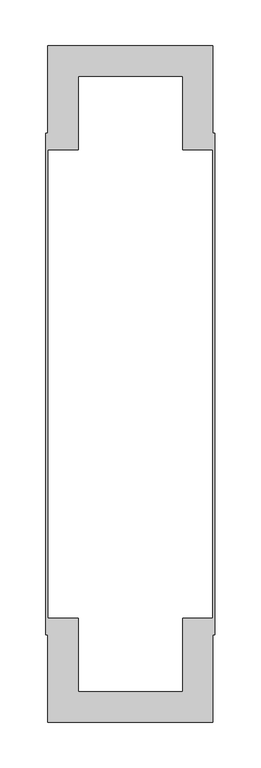
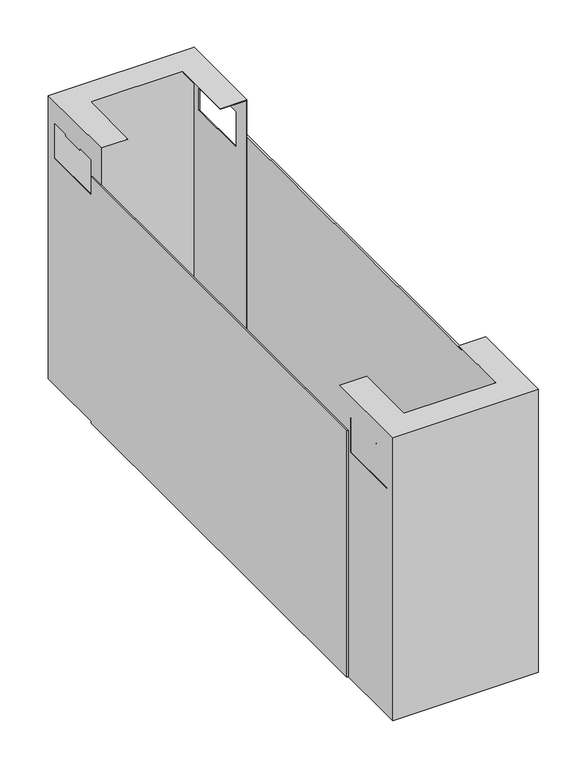
"""IFC4 building model written with IfcOpenShell, lengths in millimetres: furniture geometry."""

from ifc_helpers import new_model, si_unit, origin, place, context, project, spatial, triangles, source, transform, mapped, element, save


def furniture_9d6ae89f(model_context):
    return source(origin(), model_context, "Body", "Tessellation", [
        triangles([(12.1151363, -66.0618417, 442.1000133), (-166.0848696, -66.0618417, 442.1000133), (12.1151363, -66.0618417, 73.0), (-166.0848696, -66.0618417, 73.0), (-166.9848692, -65.1618422, 442.9999947), (-133.9848668, -98.16184, 442.9999947), (13.0151358, -65.1618422, 442.9999947), (-19.9848666, -98.16184, 442.9999947), (13.0151358, -178.1618443, 442.9999947), (-19.9848666, -178.1618443, 442.9999947), (-166.9848692, -178.1618443, 442.9999947), (-133.9848668, -178.1618443, 442.9999947), (-166.9848692, -65.1618422, 73.0), (13.0151358, -65.1618422, 73.0), (-166.0848696, -156.5618421, 368.3000121), (-166.0848696, -77.161841, 368.3000121), (-166.0848696, -77.161841, 414.7000142), (-166.0848696, -101.8618413, 414.7000142), (-166.0848696, -131.8618423, 414.7000142), (-166.0848696, -101.8618413, 412.1999851), (-166.0848696, -131.8618423, 412.1999851), (-166.0848696, -156.5618421, 414.7000142), (-166.0848696, -178.1618443, 442.1000133), (-166.0848696, -178.1618443, 73.0), (13.0151358, -156.5618421, 414.7000142), (13.0151358, -156.5618421, 368.3000121), (13.0151358, -178.1618443, 73.0), (13.0151358, -131.8618423, 414.7000142), (13.0151358, -101.8618413, 414.7000142), (13.0151358, -77.161841, 414.7000142), (13.0151358, -131.8618423, 412.1999851), (13.0151358, -101.8618413, 412.1999851), (13.0151358, -77.161841, 368.3000121), (-133.9848668, -98.16184, 442.1000133), (-19.9848666, -98.16184, 442.1000133), (12.1151363, -178.1618443, 442.1000133), (-19.9848666, -178.1618443, 442.1000133), (-133.9848668, -178.1618443, 442.1000133), (-166.9848692, -77.161841, 368.3000121), (-166.9848692, -77.161841, 414.7000142), (-166.9848692, -101.8618413, 414.7000142), (-166.9848692, -156.5618421, 368.3000121), (-166.9848692, -178.1618443, 73.0), (-166.9848692, -131.8618423, 414.7000142), (-166.9848692, -156.5618421, 414.7000142), (-166.9848692, -101.8618413, 412.1999851), (-166.9848692, -131.8618423, 412.1999851), (12.1151363, -77.161841, 368.3000121), (12.1151363, -77.161841, 414.7000142), (12.1151363, -101.8618413, 414.7000142), (12.1151363, -156.5618421, 368.3000121), (12.1151363, -178.1618443, 73.0), (12.1151363, -131.8618423, 414.7000142), (12.1151363, -156.5618421, 414.7000142), (12.1151363, -101.8618413, 412.1999851), (12.1151363, -131.8618423, 412.1999851), (15.1151348, -160.211843, 73.0), (13.0151358, -160.211843, 73.0), (15.1151348, -160.211843, 395.0000175), (13.0151358, -160.211843, 395.0000175), (15.1151348, -707.1118343, 73.0), (15.1151348, -707.1118343, 395.0000175), (13.0151358, -707.1118343, 73.0), (13.0151358, -707.1118343, 395.0000175), (-166.9848692, -160.211843, 73.0), (-169.0848682, -160.211843, 73.0), (-166.9848692, -160.211843, 395.0000175), (-169.0848682, -160.211843, 395.0000175), (-166.9848692, -707.1118343, 73.0), (-166.9848692, -707.1118343, 395.0000175), (-169.0848682, -707.1118343, 73.0), (-169.0848682, -707.1118343, 395.0000175), (-166.0848696, -801.2618651, 442.1000133), (12.1151363, -801.2618651, 442.1000133), (-166.0848696, -801.2618651, 73.0), (12.1151363, -801.2618651, 73.0), (-166.9848692, -689.1618398, 442.9999947), (-166.9848692, -802.1618102, 442.9999947), (-133.9848668, -769.1618622, 442.9999947), (13.0151358, -802.1618102, 442.9999947), (-19.9848666, -769.1618622, 442.9999947), (13.0151358, -689.1618398, 442.9999947), (-19.9848666, -689.1618398, 442.9999947), (-133.9848668, -689.1618398, 442.9999947), (13.0151358, -802.1618102, 73.0), (-166.9848692, -802.1618102, 73.0), (-166.0848696, -790.1618159, 368.3000121), (-166.0848696, -710.7618295, 368.3000121), (-166.0848696, -689.1618398, 73.0), (-166.0848696, -689.1618398, 442.1000133), (-166.0848696, -790.1618159, 414.7000142), (-166.0848696, -765.4618701, 414.7000142), (-166.0848696, -765.4618701, 412.1999851), (-166.0848696, -735.461848, 412.1999851), (-166.0848696, -735.461848, 414.7000142), (-166.0848696, -710.7618295, 414.7000142), (13.0151358, -735.461848, 414.7000142), (13.0151358, -710.7618295, 414.7000142), (13.0151358, -710.7618295, 368.3000121), (13.0151358, -689.1618398, 73.0), (13.0151358, -790.1618159, 368.3000121), (13.0151358, -790.1618159, 414.7000142), (13.0151358, -765.4618701, 414.7000142), (13.0151358, -765.4618701, 412.1999851), (13.0151358, -735.461848, 412.1999851), (-133.9848668, -769.1618622, 442.1000133), (-19.9848666, -769.1618622, 442.1000133), (12.1151363, -689.1618398, 442.1000133), (-19.9848666, -689.1618398, 442.1000133), (-133.9848668, -689.1618398, 442.1000133), (-166.9848692, -790.1618159, 368.3000121), (-166.9848692, -710.7618295, 368.3000121), (-166.9848692, -689.1618398, 73.0), (-166.9848692, -710.7618295, 414.7000142), (-166.9848692, -735.461848, 414.7000142), (-166.9848692, -765.4618701, 414.7000142), (-166.9848692, -790.1618159, 414.7000142), (-166.9848692, -735.461848, 412.1999851), (-166.9848692, -765.4618701, 412.1999851), (12.1151363, -790.1618159, 368.3000121), (12.1151363, -710.7618295, 368.3000121), (12.1151363, -689.1618398, 73.0), (12.1151363, -710.7618295, 414.7000142), (12.1151363, -735.461848, 414.7000142), (12.1151363, -765.4618701, 414.7000142), (12.1151363, -790.1618159, 414.7000142), (12.1151363, -735.461848, 412.1999851), (12.1151363, -765.4618701, 412.1999851)], [[1, 2, 3], [3, 2, 4], [5, 6, 7], [7, 6, 8], [7, 8, 9], [9, 8, 10], [5, 11, 6], [6, 11, 12], [5, 7, 13], [13, 7, 14], [15, 4, 16], [2, 16, 4], [16, 2, 17], [18, 17, 2], [19, 18, 2], [18, 19, 20], [20, 19, 21], [15, 22, 23], [24, 15, 23], [15, 24, 4], [23, 22, 19], [23, 19, 2], [26, 25, 9], [27, 26, 9], [26, 27, 14], [9, 25, 28], [9, 28, 7], [7, 28, 29], [7, 29, 30], [31, 32, 28], [28, 32, 29], [7, 30, 33], [7, 33, 14], [14, 33, 26], [23, 2, 34], [1, 34, 2], [34, 1, 35], [36, 35, 1], [35, 36, 37], [34, 38, 23], [34, 35, 6], [6, 35, 8], [6, 12, 34], [34, 12, 38], [13, 39, 5], [5, 39, 40], [5, 40, 41], [42, 39, 13], [42, 13, 43], [11, 42, 43], [5, 44, 11], [11, 44, 45], [11, 45, 42], [46, 47, 41], [41, 47, 44], [5, 41, 44], [35, 37, 8], [8, 37, 10], [3, 48, 1], [1, 48, 49], [1, 49, 50], [51, 48, 3], [51, 3, 52], [36, 51, 52], [1, 53, 36], [36, 53, 54], [36, 54, 51], [55, 56, 50], [50, 56, 53], [1, 50, 53], [25, 26, 54], [54, 26, 51], [26, 33, 51], [51, 33, 48], [33, 30, 48], [48, 30, 49], [55, 50, 32], [32, 50, 29], [32, 31, 55], [55, 31, 56], [30, 29, 49], [49, 29, 50], [28, 25, 53], [53, 25, 54], [31, 28, 56], [56, 28, 53], [39, 42, 16], [16, 42, 15], [42, 45, 15], [15, 45, 22], [40, 39, 17], [17, 39, 16], [20, 21, 46], [46, 21, 47], [46, 41, 20], [20, 41, 18], [41, 40, 18], [18, 40, 17], [21, 19, 47], [47, 19, 44], [45, 44, 22], [22, 44, 19], [38, 12, 23], [11, 23, 12], [43, 23, 11], [43, 24, 23], [24, 43, 4], [13, 4, 43], [14, 4, 13], [4, 14, 3], [27, 3, 14], [3, 27, 52], [52, 27, 36], [9, 36, 27], [10, 36, 9], [10, 37, 36], [57, 58, 59], [59, 58, 60], [61, 57, 62], [62, 57, 59], [63, 61, 64], [64, 61, 62], [58, 63, 60], [60, 63, 64], [64, 62, 60], [60, 62, 59], [58, 57, 63], [63, 57, 61], [65, 66, 67], [67, 66, 68], [69, 65, 70], [70, 65, 67], [71, 69, 72], [72, 69, 70], [66, 71, 68], [68, 71, 72], [72, 70, 68], [68, 70, 67], [66, 65, 71], [71, 65, 69], [73, 74, 75], [75, 74, 76], [77, 78, 79], [80, 79, 78], [79, 80, 81], [82, 81, 80], [81, 82, 83], [79, 84, 77], [80, 78, 85], [85, 78, 86], [88, 87, 75], [88, 75, 89], [90, 88, 89], [75, 87, 73], [73, 87, 91], [73, 91, 92], [93, 94, 92], [92, 94, 95], [73, 92, 95], [73, 95, 90], [90, 95, 96], [90, 96, 88], [97, 98, 82], [82, 98, 99], [82, 99, 100], [100, 99, 85], [85, 99, 101], [85, 101, 80], [80, 101, 102], [80, 102, 103], [104, 105, 103], [103, 105, 97], [80, 103, 97], [80, 97, 82], [73, 106, 74], [74, 106, 107], [74, 107, 108], [108, 107, 109], [73, 90, 106], [106, 90, 110], [79, 81, 106], [106, 81, 107], [106, 110, 79], [79, 110, 84], [78, 111, 86], [86, 111, 112], [86, 112, 113], [113, 112, 77], [77, 112, 114], [77, 114, 115], [77, 115, 78], [78, 115, 116], [78, 116, 117], [118, 119, 115], [115, 119, 116], [78, 117, 111], [109, 107, 83], [83, 107, 81], [74, 120, 76], [76, 120, 121], [76, 121, 122], [122, 121, 108], [108, 121, 123], [108, 123, 124], [108, 124, 74], [74, 124, 125], [74, 125, 126], [127, 128, 124], [124, 128, 125], [74, 126, 120], [99, 98, 121], [121, 98, 123], [101, 99, 120], [120, 99, 121], [102, 101, 126], [126, 101, 120], [125, 128, 103], [103, 128, 104], [128, 127, 104], [104, 127, 105], [103, 102, 125], [125, 102, 126], [98, 97, 123], [123, 97, 124], [97, 105, 124], [124, 105, 127], [112, 111, 88], [88, 111, 87], [114, 112, 96], [96, 112, 88], [111, 117, 87], [87, 117, 91], [94, 93, 118], [118, 93, 119], [93, 92, 119], [119, 92, 116], [117, 116, 91], [91, 116, 92], [95, 94, 115], [115, 94, 118], [115, 114, 95], [95, 114, 96], [113, 77, 90], [84, 90, 77], [90, 84, 110], [90, 89, 113], [85, 86, 75], [113, 75, 86], [75, 113, 89], [75, 76, 85], [85, 76, 100], [100, 76, 122], [83, 82, 108], [100, 108, 82], [108, 100, 122], [108, 109, 83]]),
    ])


if __name__ == "__main__":
    model = new_model("IFC4")
    model_context = context("Model", 3, world=origin())
    ifc_project = project(units=[si_unit("LENGTHUNIT", "METRE", prefix="MILLI")], contexts=[model_context])
    site = spatial("IfcSite", under=ifc_project)
    building = spatial("IfcBuilding", under=site)
    placement = place(None, origin())
    furniture_shape = furniture_9d6ae89f(model_context)
    element("IfcFurniture", 1, at=placement, inside=building, context=model_context, shape_type="MappedRepresentation", body=[
        mapped(furniture_shape, transform((0.0, 0.0, 0.0), x_axis=(1.0, 0.0, 0.0), y_axis=(0.0, 1.0, 0.0), z_axis=(0.0, 0.0, 1.0))),
    ])
    save(model, "model.ifc")
